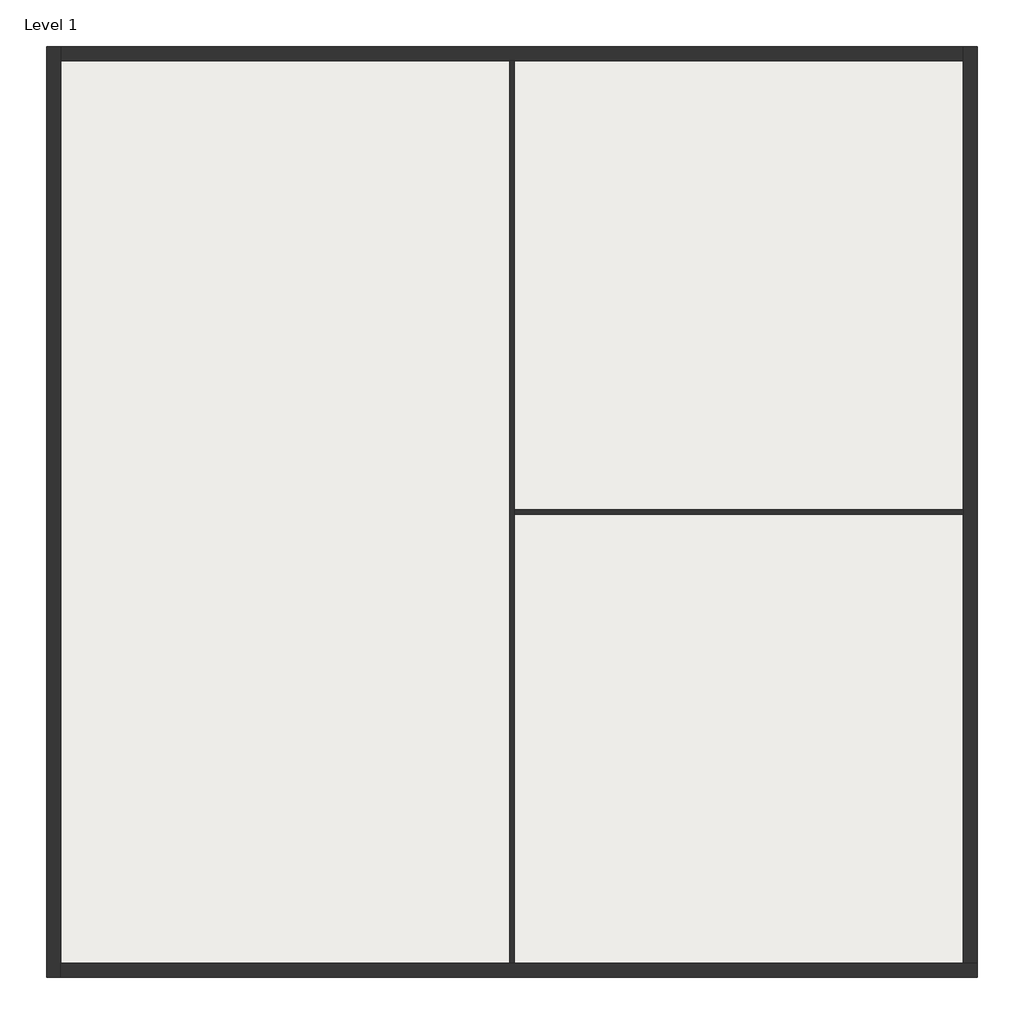
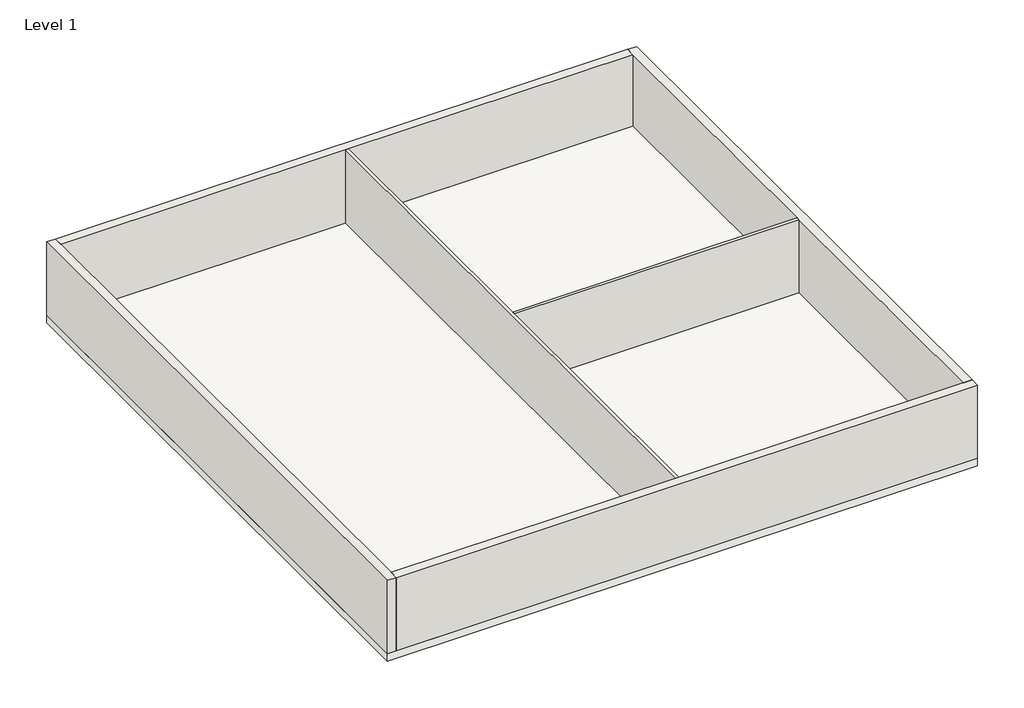
# One storey: 6 walls, 2 slabs.
"""IFC4 building model written with IfcOpenShell, lengths in millimetres."""

from ifc_helpers import new_model, si_unit, frame, origin, origin_with_axes, place, context, project, spatial, polyline, outline, extrude, faceted_brep, element, save

model = new_model("IFC4")

# Units and contexts
model_context = context("Model", 3, world=origin())
ifc_project = project(units=[si_unit("LENGTHUNIT", "METRE", prefix="MILLI")], contexts=[model_context])

# Site, building, storey
site = spatial("IfcSite", under=ifc_project)
building = spatial("IfcBuilding", under=site)
storey = spatial("IfcBuildingStorey", under=building, Name="Level 1", Elevation=0.0)

# Slabs
placement = place(None, origin())
element("IfcSlab", 1, ObjectType="Generic Floor - 400mm", at=placement, inside=storey, context=model_context, shape_type="SweptSolid", body=[
    extrude(outline(polyline([(15355.7082658, 16759.1615813), (15355.7082658, -13700.8384187), (-15104.2917342, -13700.8384187), (-15104.2917342, 16759.1615813), (15355.7082658, 16759.1615813)])), frame((0.0, 0.0, -400.0), z_axis=(0.0, 0.0, 1.0), x_axis=(1.0, 0.0, 0.0)), (0.0, 0.0, 1.0), 400.0),
])
element("IfcSlab", 2, ObjectType="Laminated Parquet Flooring", at=placement, inside=storey, context=model_context, shape_type="SweptSolid", body=[
    extrude(outline(polyline([(195.7082658, 16299.1615813), (14895.7082658, 16299.1615813), (14895.7082658, 1599.1615813), (195.7082658, 1599.1615813), (195.7082658, 16299.1615813)])), origin_with_axes(), (0.0, 0.0, 1.0), 100.0),
])

# Walls
element("IfcWall", 3, ObjectType="Exterior - Block on Mtl. Stud", at=placement, inside=storey, context=model_context, shape_type="Brep", body=[
    faceted_brep([(-15104.2917342, 16759.1615813, 0.0), (-15104.2917342, -13700.8384187, 0.0), (-15104.2917342, -13700.8384187, 4000.0), (-15104.2917342, 16759.1615813, 4000.0), (-14644.2917342, 16759.1615813, 0.0), (-14644.2917342, 16759.1615813, 4000.0), (-14644.2917342, 16299.1615813, 4000.0), (-14644.2917342, -13240.8384187, 4000.0), (-14644.2917342, -13700.8384187, 4000.0), (-14644.2917342, -13700.8384187, 0.0), (-14644.2917342, -13240.8384187, 0.0), (-14644.2917342, 16299.1615813, 0.0)], [[[0, 1, 2, 3]], [[4, 5, 6, 7, 8, 9, 10, 11]], [[1, 0, 4, 11, 10, 9]], [[3, 2, 8, 7, 6, 5]], [[2, 1, 9, 8]], [[0, 3, 5, 4]]]),
])
element("IfcWall", 4, ObjectType="Exterior - Block on Mtl. Stud", at=placement, inside=storey, context=model_context, shape_type="Brep", body=[
    faceted_brep([(-14644.2917342, -13700.8384187, 0.0), (15355.7082658, -13700.8384187, 0.0), (15355.7082658, -13700.8384187, 4000.0), (-14644.2917342, -13700.8384187, 4000.0), (-14644.2917342, -13240.8384187, 0.0), (-14644.2917342, -13240.8384187, 4000.0), (55.7082658, -13240.8384187, 4000.0), (195.7082658, -13240.8384187, 4000.0), (14895.7082658, -13240.8384187, 4000.0), (15355.7082658, -13240.8384187, 4000.0), (15355.7082658, -13240.8384187, 0.0), (14895.7082658, -13240.8384187, 0.0), (195.7082658, -13240.8384187, 0.0), (55.7082658, -13240.8384187, 0.0)], [[[0, 1, 2, 3]], [[4, 5, 6, 7, 8, 9, 10, 11, 12, 13]], [[1, 0, 4, 13, 12, 11, 10]], [[3, 2, 9, 8, 7, 6, 5]], [[0, 3, 5, 4]], [[2, 1, 10, 9]]]),
])
element("IfcWall", 5, ObjectType="Exterior - Block on Mtl. Stud", at=placement, inside=storey, context=model_context, shape_type="Brep", body=[
    faceted_brep([(15355.7082658, -13240.8384187, 0.0), (15355.7082658, 16759.1615813, 0.0), (15355.7082658, 16759.1615813, 4000.0), (15355.7082658, -13240.8384187, 4000.0), (14895.7082658, -13240.8384187, 0.0), (14895.7082658, -13240.8384187, 4000.0), (14895.7082658, 1459.1615813, 4000.0), (14895.7082658, 1599.1615813, 4000.0), (14895.7082658, 16299.1615813, 4000.0), (14895.7082658, 16759.1615813, 4000.0), (14895.7082658, 16759.1615813, 0.0), (14895.7082658, 16299.1615813, 0.0), (14895.7082658, 1599.1615813, 0.0), (14895.7082658, 1459.1615813, 0.0)], [[[0, 1, 2, 3]], [[4, 5, 6, 7, 8, 9, 10, 11, 12, 13]], [[1, 0, 4, 13, 12, 11, 10]], [[3, 2, 9, 8, 7, 6, 5]], [[0, 3, 5, 4]], [[2, 1, 10, 9]]]),
])
element("IfcWall", 6, ObjectType="Exterior - Block on Mtl. Stud", at=placement, inside=storey, context=model_context, shape_type="Brep", body=[
    faceted_brep([(14895.7082658, 16759.1615813, 0.0), (-14644.2917342, 16759.1615813, 0.0), (-14644.2917342, 16759.1615813, 4000.0), (14895.7082658, 16759.1615813, 4000.0), (14895.7082658, 16299.1615813, 0.0), (14895.7082658, 16299.1615813, 4000.0), (195.7082658, 16299.1615813, 4000.0), (55.7082658, 16299.1615813, 4000.0), (-14644.2917342, 16299.1615813, 4000.0), (-14644.2917342, 16299.1615813, 0.0), (55.7082658, 16299.1615813, 0.0), (195.7082658, 16299.1615813, 0.0)], [[[0, 1, 2, 3]], [[4, 5, 6, 7, 8, 9, 10, 11]], [[1, 0, 4, 11, 10, 9]], [[3, 2, 8, 7, 6, 5]], [[2, 1, 9, 8]], [[0, 3, 5, 4]]]),
])
element("IfcWall", 7, ObjectType="Interior - 138mm Partition (1-hr)", at=placement, inside=storey, context=model_context, shape_type="Brep", body=[
    faceted_brep([(55.7082658, 16299.1615813, 0.0), (55.7082658, -13240.8384187, 0.0), (55.7082658, -13240.8384187, 4000.0), (55.7082658, 16299.1615813, 4000.0), (195.7082658, 16299.1615813, 0.0), (195.7082658, 16299.1615813, 4000.0), (195.7082658, 1599.1615813, 4000.0), (195.7082658, 1459.1615813, 4000.0), (195.7082658, -13240.8384187, 4000.0), (195.7082658, -13240.8384187, 0.0), (195.7082658, 1459.1615813, 0.0), (195.7082658, 1599.1615813, 0.0)], [[[0, 1, 2, 3]], [[4, 5, 6, 7, 8, 9, 10, 11]], [[1, 0, 4, 11, 10, 9]], [[3, 2, 8, 7, 6, 5]], [[2, 1, 9, 8]], [[0, 3, 5, 4]]]),
])
element("IfcWall", 8, ObjectType="Interior - 138mm Partition (1-hr)", at=placement, inside=storey, context=model_context, shape_type="SweptSolid", body=[
    extrude(outline(polyline([(14895.7082658, 1459.1615813), (195.7082658, 1459.1615813), (195.7082658, 1599.1615813), (14895.7082658, 1599.1615813), (14895.7082658, 1459.1615813)])), origin_with_axes(), (0.0, 0.0, 1.0), 4000.0),
])

save(model, "model.ifc")
